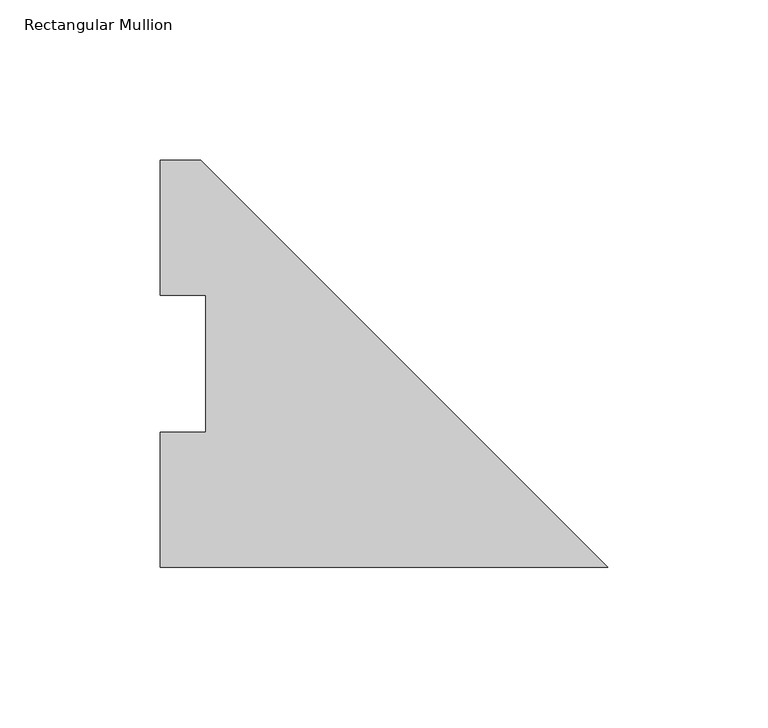
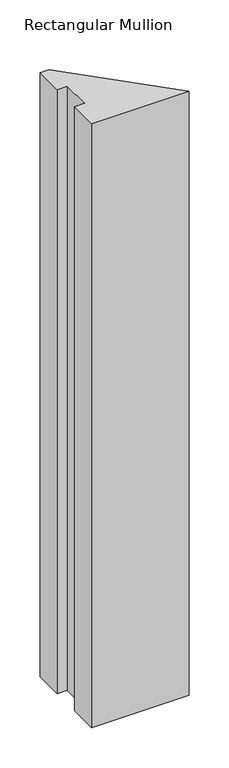
"""IFC4 building model written with IfcOpenShell, lengths in millimetres: member geometry, Rectangular Mullion."""

from ifc_helpers import new_model, si_unit, frame, origin, place, context, project, spatial, polyline, outline, extrude, source, transform, mapped, element, save


def rectangular_mullion_d9516c9a(model_context):
    return source(origin(), model_context, "Body", "SweptSolid", [
        extrude(outline(polyline([(-139.7, 0.00635), (-139.7, 42.08145), (-125.4125, 42.08145), (-125.4125, 84.93125), (-139.7, 84.93125), (-139.7, 127.00635), (-127.0, 127.00635), (0.0, 0.00635), (-139.7, 0.00635)])), frame((0.0, 0.0, -914.4), z_axis=(0.0, 0.0, 1.0), x_axis=(1.0, 0.0, 0.0)), (0.0, 0.0, 1.0), 914.4),
    ])


if __name__ == "__main__":
    model = new_model("IFC4")
    model_context = context("Model", 3, world=origin())
    ifc_project = project(units=[si_unit("LENGTHUNIT", "METRE", prefix="MILLI")], contexts=[model_context])
    site = spatial("IfcSite", under=ifc_project)
    building = spatial("IfcBuilding", under=site)
    placement = place(None, origin())
    rectangular_mullion_shape = rectangular_mullion_d9516c9a(model_context)
    element("IfcMember", 1, ObjectType="Rectangular Mullion", at=placement, inside=building, context=model_context, shape_type="MappedRepresentation", body=[
        mapped(rectangular_mullion_shape, transform((0.0, 0.0, 0.0), x_axis=(1.0, 0.0, 0.0), y_axis=(0.0, 1.0, 0.0), z_axis=(0.0, 0.0, 1.0))),
    ])
    save(model, "model.ifc")
